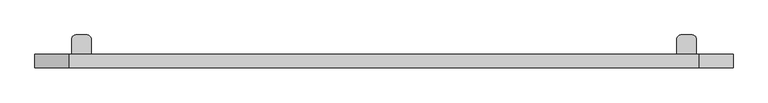
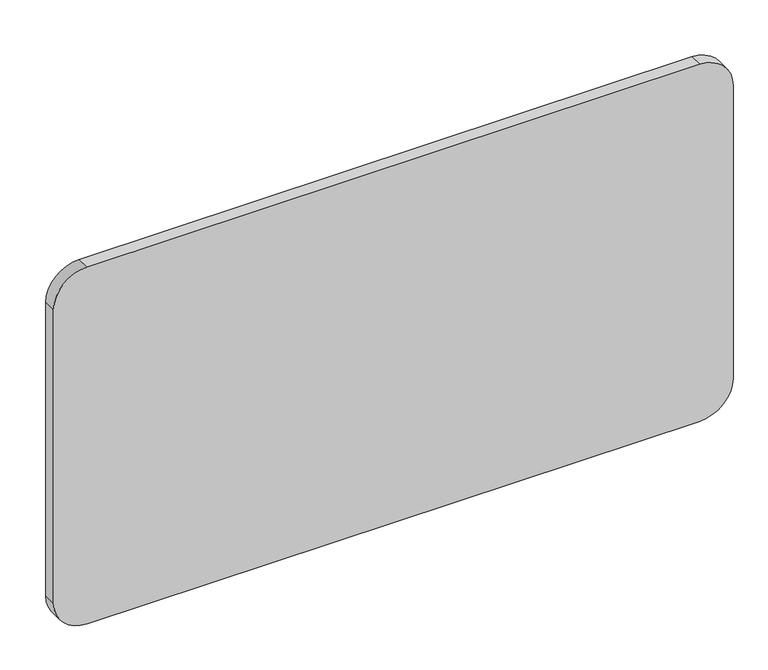
"""IFC4 building model written with IfcOpenShell, lengths in millimetres: furniture geometry."""

import ifcopenshell
import ifcopenshell.guid

model = None  # the IFC model being written
_history = None  # IfcOwnerHistory: only IFC2X3 demands one
_inside = {}  # id of a spatial element -> (the spatial element, [elements in it])
_under = {}  # id of a project, library or spatial element -> (it, [spatial elements below it])
_declared = {}  # id of a project -> (the project, [libraries it declares])
_typed = {}  # id of a type object -> (the type object, [elements of that type])
_made_of = {}  # id of a material, layer set ... -> (it, [elements and type objects made of it])


def new_model(schema):
    """Start an empty IFC model of exactly this schema.

    Asked for "IFC4X3", IfcOpenShell would pick the latest addendum, in which some entities
    have other attributes; the version numbers below select the first issue.
    IFC2X3 requires an IfcOwnerHistory on every rooted entity: one is made here for all.
    """
    global model, _history
    if schema == "IFC4X3":
        model = ifcopenshell.file(schema_version=(4, 3, 0, 0))
    else:
        model = ifcopenshell.file(schema=schema)
    _inside.clear()
    _under.clear()
    _declared.clear()
    _typed.clear()
    _made_of.clear()
    _history = None
    if model.schema == "IFC2X3":
        org = make("IfcOrganization", Name="unknown")
        user = make(
            "IfcPersonAndOrganization",
            ThePerson=make("IfcPerson", FamilyName="unknown"),
            TheOrganization=org,
        )
        app = make(
            "IfcApplication",
            ApplicationDeveloper=org,
            Version="unknown",
            ApplicationFullName="unknown",
            ApplicationIdentifier="unknown",
        )
        _history = make(
            "IfcOwnerHistory",
            OwningUser=user,
            OwningApplication=app,
            ChangeAction="ADDED",
            CreationDate=0,
        )
    return model


def make(cls, **values):
    """One entity of the class cls with the attributes given. An attribute that is None is left unset."""
    return model.create_entity(
        cls, **{name: value for name, value in values.items() if value is not None}
    )


def rooted(cls, **values):
    """An entity with a GlobalId (a new one), such as an element, a storey or a relation."""
    return make(cls, GlobalId=ifcopenshell.guid.new(), OwnerHistory=_history, **values)


def si_unit(unit_type, name, prefix=None):
    """IfcSIUnit, for example si_unit("LENGTHUNIT", "METRE", prefix="MILLI")."""
    return make("IfcSIUnit", UnitType=unit_type, Prefix=prefix, Name=name)


def assignment(units):
    """IfcUnitAssignment: the units of a project."""
    return None if units is None else make("IfcUnitAssignment", Units=units)


def point(xyz):
    """IfcCartesianPoint."""
    return None if xyz is None else make("IfcCartesianPoint", Coordinates=xyz)


def direction(xyz):
    """IfcDirection."""
    return None if xyz is None else make("IfcDirection", DirectionRatios=xyz)


def frame(location, z_axis=None, x_axis=None):
    """IfcAxis2Placement3D, a coordinate frame: its origin and axes. An axis left out is left unset."""
    return make(
        "IfcAxis2Placement3D",
        Location=point(location),
        Axis=direction(z_axis),
        RefDirection=direction(x_axis),
    )


def frame_2d(location, x_axis=None):
    """IfcAxis2Placement2D, a coordinate frame in the plane: its origin and x axis."""
    return make(
        "IfcAxis2Placement2D", Location=point(location), RefDirection=direction(x_axis)
    )


def origin():
    """The frame at (0, 0, 0) with its axes left unset."""
    return frame((0.0, 0.0, 0.0))


def place(relative_to, where):
    """IfcLocalPlacement: puts the frame where relative to a parent placement (None: the world)."""
    return make(
        "IfcLocalPlacement", PlacementRelTo=relative_to, RelativePlacement=where
    )


def context(
    kind, dimensions, precision=None, world=None, true_north=None, identifier=None
):
    """IfcGeometricRepresentationContext, for example the 3D "Model" context."""
    return make(
        "IfcGeometricRepresentationContext",
        ContextIdentifier=identifier,
        ContextType=kind,
        CoordinateSpaceDimension=dimensions,
        Precision=precision,
        WorldCoordinateSystem=world,
        TrueNorth=true_north,
    )


def project(units=None, contexts=None):
    """IfcProject with its units and contexts."""
    return rooted(
        "IfcProject",
        Name="project",
        RepresentationContexts=contexts,
        UnitsInContext=assignment(units),
    )


def spatial(cls, under=None, at=None, **own):
    """A site, building, storey or space (cls), placed at a placement, below another one or the project."""
    s = rooted(cls, ObjectPlacement=at, **own)
    if under is not None:
        _under.setdefault(under.id(), (under, []))[1].append(s)
    return s


def polyline(points):
    """IfcPolyline through the points."""
    return make("IfcPolyline", Points=[point(p) for p in points])


def circle_curve(where, radius):
    """IfcCircle in the frame where."""
    return make("IfcCircle", Position=where, Radius=radius)


def trimmed(basis, trim1, trim2, sense, master):
    """IfcTrimmedCurve: the piece of a basis curve between two trims."""
    return make(
        "IfcTrimmedCurve",
        BasisCurve=basis,
        Trim1=trim1,
        Trim2=trim2,
        SenseAgreement=sense,
        MasterRepresentation=master,
    )


def segment(curve, same_sense, transition):
    """IfcCompositeCurveSegment."""
    return make(
        "IfcCompositeCurveSegment",
        Transition=transition,
        SameSense=same_sense,
        ParentCurve=curve,
    )


def composite_curve(segments, self_intersect=None):
    """IfcCompositeCurve: segments joined end to end."""
    return make("IfcCompositeCurve", Segments=segments, SelfIntersect=self_intersect)


def outline(outer, holes=None, kind="AREA"):
    """IfcArbitraryClosedProfileDef: a profile drawn as a closed curve; with holes, ...WithVoids."""
    if holes is None:
        return make("IfcArbitraryClosedProfileDef", ProfileType=kind, OuterCurve=outer)
    return make(
        "IfcArbitraryProfileDefWithVoids",
        ProfileType=kind,
        OuterCurve=outer,
        InnerCurves=holes,
    )


def extrude(swept, where, along, depth):
    """IfcExtrudedAreaSolid: the profile swept, set in the frame where, extruded along a direction by depth."""
    return make(
        "IfcExtrudedAreaSolid",
        SweptArea=swept,
        Position=where,
        ExtrudedDirection=direction(along),
        Depth=depth,
    )


def shape(context_of_items, identifier, shape_type, items):
    """IfcShapeRepresentation: the items that make up one representation, for example the "Body"."""
    return make(
        "IfcShapeRepresentation",
        ContextOfItems=context_of_items,
        RepresentationIdentifier=identifier,
        RepresentationType=shape_type,
        Items=items,
    )


def source(mapping_origin, context_of_items, identifier, shape_type, items):
    """IfcRepresentationMap: a shape defined once, which mapped items show again and again."""
    return make(
        "IfcRepresentationMap",
        MappingOrigin=mapping_origin,
        MappedRepresentation=shape(context_of_items, identifier, shape_type, items),
    )


def transform(
    local_origin,
    x_axis=None,
    y_axis=None,
    z_axis=None,
    scale=None,
    scale2=None,
    scale3=None,
    uniform=True,
):
    """IfcCartesianTransformationOperator3D, or its non-uniform kind. x_axis, y_axis, z_axis: its Axis1, 2, 3."""
    if uniform:
        return make(
            "IfcCartesianTransformationOperator3D",
            Axis1=direction(x_axis),
            Axis2=direction(y_axis),
            LocalOrigin=point(local_origin),
            Scale=scale,
            Axis3=direction(z_axis),
        )
    return make(
        "IfcCartesianTransformationOperator3DnonUniform",
        Axis1=direction(x_axis),
        Axis2=direction(y_axis),
        LocalOrigin=point(local_origin),
        Scale=scale,
        Axis3=direction(z_axis),
        Scale2=scale2,
        Scale3=scale3,
    )


def mapped(mapping_source, mapping_target):
    """IfcMappedItem: shows the shape of a source again, moved by a transform."""
    return make(
        "IfcMappedItem", MappingSource=mapping_source, MappingTarget=mapping_target
    )


def made_of(thing, what):
    """Note that an element or type object is made of a material, layer set ...; save() writes the relation."""
    if what is not None:
        _made_of.setdefault(what.id(), (what, []))[1].append(thing)
    return thing


def element(
    cls,
    number,
    at=None,
    inside=None,
    cuts=None,
    type_object=None,
    material=None,
    context=None,
    identifier="Body",
    shape_type=None,
    held_by="IfcProductDefinitionShape",
    body=None,
    shapes=None,
    **own,
):
    """One element of the class cls, such as IfcWall. Its Tag is "e" and its number.

    at: its placement. inside: the storey or other place that contains it. cuts: it is an
    opening in that element (IfcRelVoidsElement). A single representation is given by context,
    identifier, shape_type and body (its items); several are given by shapes. held_by: the class
    of the entity that holds the representations. save() writes the other relations.
    """
    e = rooted(cls, Tag="e%d" % number, ObjectPlacement=at, **own)
    if body is not None:
        shapes = [shape(context, identifier, shape_type, body)]
    if shapes is not None:
        e.Representation = make(held_by, Representations=shapes)
    if inside is not None:
        _inside.setdefault(inside.id(), (inside, []))[1].append(e)
    if cuts is not None:
        rooted(
            "IfcRelVoidsElement", RelatingBuildingElement=cuts, RelatedOpeningElement=e
        )
    if type_object is not None:
        _typed.setdefault(type_object.id(), (type_object, []))[1].append(e)
    return made_of(e, material)


def aggregate(whole, parts):
    """IfcRelAggregates: a whole, such as a stair, and the parts it consists of."""
    return rooted("IfcRelAggregates", RelatingObject=whole, RelatedObjects=parts)


def save(model, path):
    """Write the relations noted so far, then the file.

    IfcRelAggregates (storeys below a building ...), IfcRelContainedInSpatialStructure (elements
    in a storey), IfcRelDefinesByType, IfcRelAssociatesMaterial and IfcRelDeclares: one each for
    every whole, place, type object, material and project.
    """
    for whole, parts in _under.values():
        aggregate(whole, parts)
    for where, things in _inside.values():
        rooted(
            "IfcRelContainedInSpatialStructure",
            RelatedElements=things,
            RelatingStructure=where,
        )
    for kind, things in _typed.values():
        rooted("IfcRelDefinesByType", RelatedObjects=things, RelatingType=kind)
    for what, things in _made_of.values():
        rooted("IfcRelAssociatesMaterial", RelatedObjects=things, RelatingMaterial=what)
    for by, libraries in _declared.values():
        rooted("IfcRelDeclares", RelatingContext=by, RelatedDefinitions=libraries)
    model.write(path)


def plane_surface(at):
    """IfcPlane: the flat surface through the origin of the frame at, square to its z axis."""
    return make("IfcPlane", Position=at)


def cylinder_surface(at, radius):
    """IfcCylindricalSurface: all points at the distance radius from the z axis of the frame at."""
    return make("IfcCylindricalSurface", Position=at, Radius=radius)


def revolved_surface(curve, axis_point, axis_direction):
    """IfcSurfaceOfRevolution: the curve turned about the line through axis_point along axis_direction."""
    return make(
        "IfcSurfaceOfRevolution",
        SweptCurve=make("IfcArbitraryOpenProfileDef", ProfileType="CURVE", Curve=curve),
        AxisPosition=make("IfcAxis1Placement", Location=point(axis_point), Axis=direction(axis_direction)),
    )


def advanced_brep(points, edges, surfaces, faces):
    """IfcAdvancedBrep: a solid bounded by faces that lie on surfaces and meet in shared edges.

    An edge is (start, end): straight between two places in points (the first is 0);
    or (start, end, curve); or (start, end, curve, False) where it runs against its curve.
    A face is (place in surfaces, loops), or (place, loops, False) where it looks against
    its surface's normal. A loop lists edges by number (the first is 1), with a minus sign
    where the edge is run from its end to its start. The first loop is the outer one.
    """
    corners = [point(p) for p in points]
    vertices = [make("IfcVertexPoint", VertexGeometry=c) for c in corners]
    made = []
    for start, end, *more in edges:
        made.append(
            make(
                "IfcEdgeCurve",
                EdgeStart=vertices[start],
                EdgeEnd=vertices[end],
                EdgeGeometry=more[0] if more else make("IfcPolyline", Points=[corners[start], corners[end]]),
                SameSense=more[1] if len(more) > 1 else True,
            )
        )
    hull = []
    for where, loops, *sense in faces:
        bounds = []
        for j, loop in enumerate(loops):
            ring = [make("IfcOrientedEdge", EdgeElement=made[abs(k) - 1], Orientation=k > 0) for k in loop]
            bounds.append(
                make(
                    "IfcFaceOuterBound" if j == 0 else "IfcFaceBound",
                    Bound=make("IfcEdgeLoop", EdgeList=ring),
                    Orientation=True,
                )
            )
        hull.append(make("IfcAdvancedFace", Bounds=bounds, FaceSurface=surfaces[where], SameSense=sense[0] if sense else True))
    return make("IfcAdvancedBrep", Outer=make("IfcClosedShell", CfsFaces=hull))


def furniture_7a475fae(model_context):
    return source(origin(), model_context, "Body", "SolidModel", [
        advanced_brep(
        [(1325.5425429, 47.5118173, 752.9985146), (1325.5425429, 44.45, 752.9985146), (1375.5425432, 44.45, 752.9985146), (1375.5425432, 47.5118173, 752.9985146), (1375.5425432, 47.5118173, 462.9546875), (1365.5425359, 47.5118173, 452.9984759), (1335.5425502, 47.5118173, 452.9984759), (1325.5425429, 47.5118173, 462.9984833), (1375.5425432, 44.45, 462.9546875), (1325.5425429, 44.45, 462.9546875), (1335.5425502, 44.45, 452.9984759), (1365.5425359, 44.45, 452.9984759)],
        [
            (0, 1),
            (1, 2),
            (2, 3),
            (3, 0),
            (3, 4),
            (4, 5, circle_curve(frame((1365.5425359, 47.5118173, 462.9984833), z_axis=(0.0, 1.0, 0.0), x_axis=(1.0, 0.0, 0.0)), 10.0000073)),
            (5, 6),
            (6, 7, circle_curve(frame((1335.5425502, 47.5118173, 462.9984833), z_axis=(0.0, 1.0, 0.0), x_axis=(1.0, 0.0, 0.0)), 10.0000073)),
            (7, 0),
            (2, 8),
            (8, 4),
            (1, 9),
            (9, 10, circle_curve(frame((1335.5425502, 44.45, 462.9984833), z_axis=(0.0, -1.0, 0.0), x_axis=(1.0, 0.0, 0.0)), 10.0000073)),
            (10, 11),
            (11, 8, circle_curve(frame((1365.5425359, 44.45, 462.9984833), z_axis=(0.0, -1.0, 0.0), x_axis=(1.0, 0.0, 0.0)), 10.0000073)),
            (7, 9),
            (6, 10),
            (5, 11),
        ],
        [
            plane_surface(frame((1325.5425429, 47.5118173, 752.9985146), z_axis=(0.0, 0.0, 1.0), x_axis=(0.0, -1.0, 0.0))),
            plane_surface(frame((1375.5425432, 47.5118173, 752.9985146), z_axis=(0.0, 1.0, 0.0), x_axis=(0.0, 0.0, -1.0))),
            plane_surface(frame((1375.5425432, 44.45, 752.9985146), z_axis=(1.0, 0.0, 0.0), x_axis=(0.0, 0.0, -1.0))),
            plane_surface(frame((1325.5425429, 44.45, 752.9985146), z_axis=(0.0, -1.0, 0.0), x_axis=(0.0, 0.0, -1.0))),
            plane_surface(frame((1325.5425429, 47.5118173, 752.9985146), z_axis=(-1.0, 0.0, 0.0), x_axis=(0.0, 0.0, -1.0))),
            cylinder_surface(frame((1335.5425502, 44.45, 462.9984833), z_axis=(0.0, 1.0, 0.0), x_axis=(1.0, 0.0, 0.0)), 10.0000073),
            plane_surface(frame((1365.5425359, 47.5118173, 452.9984759), z_axis=(0.0, 0.0, -1.0), x_axis=(0.0, -1.0, 0.0))),
            cylinder_surface(frame((1365.5425359, 44.45, 462.9984833), z_axis=(0.0, 1.0, 0.0), x_axis=(1.0, 0.0, 0.0)), 10.0000073),
        ],
        [
            (0, [[1, 2, 3, 4]]),
            (1, [[-4, 5, 6, 7, 8, 9]]),
            (2, [[-3, 10, 11, -5]]),
            (3, [[-2, 12, 13, 14, 15, -10]]),
            (4, [[-1, -9, 16, -12]]),
            (5, [[-8, 17, -13, -16]]),
            (6, [[-7, 18, -14, -17]]),
            (7, [[-6, -11, -15, -18]]),
        ],
    ),
        extrude(outline(composite_curve([segment(trimmed(circle_curve(frame_2d((1350.542543, 69.5118189)), 4.0000058), [point((1354.5425489, 69.5118189))], [point((1346.5425372, 69.5118189))], False, "CARTESIAN"), True, "CONTINUOUS"), segment(trimmed(circle_curve(frame_2d((1350.542543, 69.5118189)), 4.0000058), [point((1346.5425372, 69.5118189))], [point((1354.5425489, 69.5118189))], False, "CARTESIAN"), True, "CONTINUOUS")], self_intersect=False)), frame((0.0, 0.0, 689.9985083), z_axis=(0.0, 0.0, 1.0), x_axis=(1.0, 0.0, 0.0)), (0.0, 0.0, 1.0), 13.0000059),
        extrude(outline(composite_curve([segment(trimmed(circle_curve(frame_2d((1350.542543, 69.5118189)), 7.7753653), [point((1358.3179084, 69.5118189))], [point((1342.7671777, 69.5118189))], False, "CARTESIAN"), True, "CONTINUOUS"), segment(trimmed(circle_curve(frame_2d((1350.542543, 69.5118189)), 7.7753653), [point((1342.7671777, 69.5118189))], [point((1358.3179084, 69.5118189))], False, "CARTESIAN"), True, "CONTINUOUS")], self_intersect=False)), frame((0.0, 0.0, 702.9985142), z_axis=(0.0, 0.0, 1.0), x_axis=(1.0, 0.0, 0.0)), (0.0, 0.0, 1.0), 10.0000437),
        extrude(outline(composite_curve([segment(trimmed(circle_curve(frame_2d((1350.542543, 69.5118189)), 14.974039), [point((1365.5165821, 69.5118189))], [point((1335.568504, 69.5118189))], False, "CARTESIAN"), True, "CONTINUOUS"), segment(trimmed(circle_curve(frame_2d((1350.542543, 69.5118189)), 14.974039), [point((1335.568504, 69.5118189))], [point((1365.5165821, 69.5118189))], False, "CARTESIAN"), True, "CONTINUOUS")], self_intersect=False)), frame((0.0, 0.0, 718.7038782), z_axis=(0.0, 0.0, 1.0), x_axis=(1.0, 0.0, 0.0)), (0.0, 0.0, 1.0), 2.0950029),
        advanced_brep(
        [(1365.5165821, 69.5118189, 718.7038782), (1335.568504, 69.5118189, 718.7038782), (1354.5425489, 69.5118189, 715.9985201), (1346.5425372, 69.5118189, 715.9985201)],
        [
            (0, 1, circle_curve(frame((1350.542543, 69.5118189, 718.7038782), z_axis=(0.0, 0.0, 1.0), x_axis=(1.0, 0.0, 0.0)), 14.974039)),
            (1, 0, circle_curve(frame((1350.542543, 69.5118189, 718.7038782), z_axis=(0.0, 0.0, 1.0), x_axis=(-1.0, 0.0, 0.0)), 14.974039)),
            (2, 3, circle_curve(frame((1350.542543, 69.5118189, 715.9985201), z_axis=(0.0, 0.0, -1.0), x_axis=(-1.0, 0.0, 0.0)), 4.0000058)),
            (3, 2, circle_curve(frame((1350.542543, 69.5118189, 715.9985201), z_axis=(0.0, 0.0, -1.0), x_axis=(1.0, 0.0, 0.0)), 4.0000058)),
            (2, 0),
            (1, 3),
        ],
        [
            plane_surface(frame((1350.542543, 69.5118189, 718.7038782), z_axis=(0.0, 0.0, 1.0), x_axis=(0.0, 1.0, 0.0))),
            plane_surface(frame((1350.542543, 69.5118189, 715.9985201), z_axis=(0.0, 0.0, -1.0), x_axis=(0.0, 1.0, 0.0))),
            revolved_surface(polyline([(1354.5425488149297, 69.5118189, 715.9985201), (1365.5165821, 69.5118189, 718.7038782)]), (1350.542543, 69.5118189, 715.0124243), (0.0, 0.0, 1.0)),
            revolved_surface(polyline([(1346.5425372117832, 69.5118189, 715.9985201), (1335.568504, 69.5118189, 718.7038782)]), (1350.542543, 69.5118189, 715.0124243), (0.0, 0.0, 1.0)),
        ],
        [
            (0, [[1, 2]]),
            (1, [[3, 4]]),
            (2, [[-3, 5, -2, 6]]),
            (3, [[-4, -6, -1, -5]]),
        ],
    ),
        extrude(outline(composite_curve([segment(trimmed(circle_curve(frame_2d((1365.3401849, 84.3097802)), 10.2023583), [point((1365.3401849, 94.5121385))], [point((1375.5425432, 84.3097802))], False, "CARTESIAN"), True, "CONTINUOUS"), segment(polyline([(1375.5425432, 84.3097802), (1375.5425432, 47.5118173), (1325.5425429, 47.5118173), (1325.5425429, 84.324975)]), True, "CONTINUOUS"), segment(trimmed(circle_curve(frame_2d((1335.7297063, 84.324975)), 10.1871635), [point((1325.5425429, 84.324975))], [point((1335.7297063, 94.5121385))], False, "CARTESIAN"), True, "CONTINUOUS"), segment(polyline([(1335.7297063, 94.5121385), (1365.3401849, 94.5121385)]), True, "CONTINUOUS")], self_intersect=False)), frame((0.0, 0.0, 712.9985579), z_axis=(0.0, 0.0, 1.0), x_axis=(1.0, 0.0, 0.0)), (0.0, 0.0, 1.0), 2.9999622),
        extrude(outline(composite_curve([segment(trimmed(circle_curve(frame_2d((1365.3401849, 84.3094607)), 10.2023583), [point((1365.3401849, 94.5118191))], [point((1375.5425432, 84.3094607))], False, "CARTESIAN"), True, "CONTINUOUS"), segment(polyline([(1375.5425432, 84.3094607), (1375.5425432, 44.45), (1325.5425429, 44.45), (1325.5425429, 84.3246556)]), True, "CONTINUOUS"), segment(trimmed(circle_curve(frame_2d((1335.7297063, 84.3246556)), 10.1871635), [point((1325.5425429, 84.3246556))], [point((1335.7297063, 94.5118191))], False, "CARTESIAN"), True, "CONTINUOUS"), segment(polyline([(1335.7297063, 94.5118191), (1365.3401849, 94.5118191)]), True, "CONTINUOUS")], self_intersect=False)), frame((0.0, 0.0, 752.9985146), z_axis=(0.0, 0.0, 1.0), x_axis=(1.0, 0.0, 0.0)), (0.0, 0.0, 1.0), 2.9999622),
        advanced_brep(
        [(-184.5554351, 47.5118173, 462.9984833), (-194.5554424, 47.5118173, 452.9984759), (-224.5554281, 47.5118173, 452.9984759), (-234.5554355, 47.5118173, 462.9984833), (-234.5554355, 47.5118173, 712.9985579), (-184.5554351, 47.5118173, 712.9985579), (-234.5554355, 47.5118173, 752.9985146), (-184.5554351, 47.5118173, 752.9985146), (-184.5554351, 47.5118173, 715.9985201), (-234.5554355, 47.5118173, 715.9985201), (-234.5554355, 44.45, 462.9984833), (-224.5554281, 44.45, 452.9984759), (-194.5554424, 44.45, 452.9984759), (-184.5554351, 44.45, 462.9984833), (-184.5554351, 44.45, 755.9984768), (-234.5554355, 44.45, 755.9984768), (-234.5554355, 84.3094607, 755.9984768), (-234.5554355, 84.3094607, 752.9985146), (-234.5554355, 84.3097802, 715.9985201), (-234.5554355, 84.3097802, 712.9985579), (-184.5554351, 84.324975, 712.9985579), (-184.5554351, 84.324975, 715.9985201), (-184.5554351, 84.3246556, 752.9985146), (-184.5554351, 84.3246556, 755.9984768), (-224.3530771, 94.5118191, 755.9984768), (-194.7425986, 94.5118191, 755.9984768), (-224.3530771, 94.5118191, 752.9985146), (-194.7425986, 94.5118191, 752.9985146), (-224.3530771, 94.5121385, 715.9985201), (-194.7425986, 94.5121385, 715.9985201), (-205.5554294, 69.5118189, 715.9985201), (-213.5554411, 69.5118189, 715.9985201), (-224.3530771, 94.5121385, 712.9985579), (-194.7425986, 94.5121385, 712.9985579), (-217.3308006, 69.5118189, 712.9985579), (-201.7800699, 69.5118189, 712.9985579), (-224.5294743, 69.5118189, 720.7988811), (-194.5813962, 69.5118189, 720.7988811), (-224.5294743, 69.5118189, 718.7038782), (-194.5813962, 69.5118189, 718.7038782), (-217.3308006, 69.5118189, 702.9985142), (-201.7800699, 69.5118189, 702.9985142), (-213.5554411, 69.5118189, 702.9985142), (-205.5554294, 69.5118189, 702.9985142), (-213.5554411, 69.5118189, 689.9985083), (-205.5554294, 69.5118189, 689.9985083)],
        [
            (0, 1, circle_curve(frame((-194.5554424, 47.5118173, 462.9984833), z_axis=(0.0, 1.0, 0.0), x_axis=(-1.0, 0.0, 0.0)), 10.0000073)),
            (1, 2),
            (2, 3, circle_curve(frame((-224.5554281, 47.5118173, 462.9984833), z_axis=(0.0, 1.0, 0.0), x_axis=(-1.0, 0.0, 0.0)), 10.0000073)),
            (3, 4),
            (4, 5),
            (5, 0),
            (6, 7),
            (7, 8),
            (8, 9),
            (9, 6),
            (10, 11, circle_curve(frame((-224.5554281, 44.45, 462.9984833), z_axis=(0.0, -1.0, 0.0), x_axis=(-1.0, 0.0, 0.0)), 10.0000073)),
            (11, 12),
            (12, 13, circle_curve(frame((-194.5554424, 44.45, 462.9984833), z_axis=(0.0, -1.0, 0.0), x_axis=(-1.0, 0.0, 0.0)), 10.0000073)),
            (13, 14),
            (14, 15),
            (15, 10),
            (0, 13),
            (12, 1),
            (11, 2),
            (10, 3),
            (15, 16),
            (16, 17),
            (17, 6),
            (9, 18),
            (18, 19),
            (19, 4),
            (5, 20),
            (20, 21),
            (21, 8),
            (7, 22),
            (22, 23),
            (23, 14),
            (24, 16, circle_curve(frame((-224.3530771, 84.3094607, 755.9984768), z_axis=(0.0, 0.0, 1.0), x_axis=(1.0, 0.0, 0.0)), 10.2023583)),
            (23, 25, circle_curve(frame((-194.7425986, 84.3246556, 755.9984768), z_axis=(0.0, 0.0, 1.0), x_axis=(1.0, 0.0, 0.0)), 10.1871635)),
            (25, 24),
            (26, 27),
            (27, 22, circle_curve(frame((-194.7425986, 84.3246556, 752.9985146), z_axis=(0.0, 0.0, -1.0), x_axis=(1.0, 0.0, 0.0)), 10.1871635)),
            (17, 26, circle_curve(frame((-224.3530771, 84.3094607, 752.9985146), z_axis=(0.0, 0.0, -1.0), x_axis=(1.0, 0.0, 0.0)), 10.2023583)),
            (24, 26),
            (27, 25),
            (28, 18, circle_curve(frame((-224.3530771, 84.3097802, 715.9985201), z_axis=(0.0, 0.0, 1.0), x_axis=(1.0, 0.0, 0.0)), 10.2023583)),
            (21, 29, circle_curve(frame((-194.7425986, 84.324975, 715.9985201), z_axis=(0.0, 0.0, 1.0), x_axis=(1.0, 0.0, 0.0)), 10.1871635)),
            (29, 28),
            (30, 31, circle_curve(frame((-209.5554353, 69.5118189, 715.9985201), z_axis=(0.0, 0.0, -1.0), x_axis=(-1.0, 0.0, 0.0)), 4.0000058)),
            (31, 30, circle_curve(frame((-209.5554353, 69.5118189, 715.9985201), z_axis=(0.0, 0.0, -1.0), x_axis=(1.0, 0.0, 0.0)), 4.0000058)),
            (32, 33),
            (33, 20, circle_curve(frame((-194.7425986, 84.324975, 712.9985579), z_axis=(0.0, 0.0, -1.0), x_axis=(1.0, 0.0, 0.0)), 10.1871635)),
            (19, 32, circle_curve(frame((-224.3530771, 84.3097802, 712.9985579), z_axis=(0.0, 0.0, -1.0), x_axis=(1.0, 0.0, 0.0)), 10.2023583)),
            (34, 35, circle_curve(frame((-209.5554353, 69.5118189, 712.9985579), z_axis=(0.0, 0.0, 1.0), x_axis=(1.0, 0.0, 0.0)), 7.7753653)),
            (35, 34, circle_curve(frame((-209.5554353, 69.5118189, 712.9985579), z_axis=(0.0, 0.0, 1.0), x_axis=(1.0, 0.0, 0.0)), 7.7753653)),
            (28, 32),
            (33, 29),
            (36, 37, circle_curve(frame((-209.5554353, 69.5118189, 720.7988811), z_axis=(0.0, 0.0, 1.0), x_axis=(1.0, 0.0, 0.0)), 14.974039)),
            (37, 36, circle_curve(frame((-209.5554353, 69.5118189, 720.7988811), z_axis=(0.0, 0.0, 1.0), x_axis=(1.0, 0.0, 0.0)), 14.974039)),
            (36, 38),
            (38, 39, circle_curve(frame((-209.5554353, 69.5118189, 718.7038782), z_axis=(0.0, 0.0, 1.0), x_axis=(1.0, 0.0, 0.0)), 14.974039)),
            (39, 37),
            (39, 38, circle_curve(frame((-209.5554353, 69.5118189, 718.7038782), z_axis=(0.0, 0.0, 1.0), x_axis=(1.0, 0.0, 0.0)), 14.974039)),
            (40, 41, circle_curve(frame((-209.5554353, 69.5118189, 702.9985142), z_axis=(0.0, 0.0, -1.0), x_axis=(1.0, 0.0, 0.0)), 7.7753653)),
            (41, 40, circle_curve(frame((-209.5554353, 69.5118189, 702.9985142), z_axis=(0.0, 0.0, -1.0), x_axis=(1.0, 0.0, 0.0)), 7.7753653)),
            (42, 43, circle_curve(frame((-209.5554353, 69.5118189, 702.9985142), z_axis=(0.0, 0.0, 1.0), x_axis=(1.0, 0.0, 0.0)), 4.0000058)),
            (43, 42, circle_curve(frame((-209.5554353, 69.5118189, 702.9985142), z_axis=(0.0, 0.0, 1.0), x_axis=(1.0, 0.0, 0.0)), 4.0000058)),
            (41, 35),
            (34, 40),
            (44, 45, circle_curve(frame((-209.5554353, 69.5118189, 689.9985083), z_axis=(0.0, 0.0, -1.0), x_axis=(1.0, 0.0, 0.0)), 4.0000058)),
            (45, 44, circle_curve(frame((-209.5554353, 69.5118189, 689.9985083), z_axis=(0.0, 0.0, -1.0), x_axis=(1.0, 0.0, 0.0)), 4.0000058)),
            (45, 43),
            (42, 44),
            (30, 39),
            (38, 31),
        ],
        [
            plane_surface(frame((-184.5554351, 47.5118173, 462.9984833), z_axis=(0.0, 1.0, 0.0), x_axis=(1.0, 0.0, 0.0))),
            plane_surface(frame((-184.5554351, 44.45, 462.9984833), z_axis=(0.0, -1.0, 0.0), x_axis=(-1.0, 0.0, 0.0))),
            cylinder_surface(frame((-194.5554424, 44.45, 462.9984833), z_axis=(0.0, 1.0, 0.0), x_axis=(-1.0, 0.0, 0.0)), 10.0000073),
            plane_surface(frame((-194.5554424, 47.5118173, 452.9984759), z_axis=(0.0, 0.0, -1.0), x_axis=(0.0, -1.0, 0.0))),
            cylinder_surface(frame((-224.5554281, 44.45, 462.9984833), z_axis=(0.0, 1.0, 0.0), x_axis=(-1.0, 0.0, 0.0)), 10.0000073),
            plane_surface(frame((-234.5554355, 47.5118173, 752.9985146), z_axis=(-1.0, 0.0, 0.0), x_axis=(0.0, 0.0, -1.0))),
            plane_surface(frame((-184.5554351, 44.45, 752.9985146), z_axis=(1.0, 0.0, 0.0), x_axis=(0.0, 0.0, -1.0))),
            plane_surface(frame((-214.1507188, 84.3094607, 755.9984768), z_axis=(0.0, 0.0, 1.0), x_axis=(0.0, 1.0, 0.0))),
            plane_surface(frame((-214.1507188, 84.3094607, 752.9985146), z_axis=(0.0, 0.0, -1.0), x_axis=(0.0, -1.0, 0.0))),
            cylinder_surface(frame((-224.3530771, 84.3094607, 752.9985146), z_axis=(0.0, 0.0, 1.0), x_axis=(1.0, 0.0, 0.0)), 10.2023583),
            cylinder_surface(frame((-194.7425986, 84.3246556, 752.9985146), z_axis=(0.0, 0.0, 1.0), x_axis=(1.0, 0.0, 0.0)), 10.1871635),
            plane_surface(frame((-194.7425986, 94.5118191, 755.9984768), z_axis=(0.0, 1.0, 0.0), x_axis=(0.0, 0.0, -1.0))),
            plane_surface(frame((-214.1507188, 84.3097802, 715.9985201), z_axis=(0.0, 0.0, 1.0), x_axis=(0.0, 1.0, 0.0))),
            plane_surface(frame((-214.1507188, 84.3097802, 712.9985579), z_axis=(0.0, 0.0, -1.0), x_axis=(0.0, -1.0, 0.0))),
            cylinder_surface(frame((-224.3530771, 84.3097802, 712.9985579), z_axis=(0.0, 0.0, 1.0), x_axis=(1.0, 0.0, 0.0)), 10.2023583),
            cylinder_surface(frame((-194.7425986, 84.324975, 712.9985579), z_axis=(0.0, 0.0, 1.0), x_axis=(1.0, 0.0, 0.0)), 10.1871635),
            plane_surface(frame((-194.7425986, 94.5121385, 715.9985201), z_axis=(0.0, 1.0, 0.0), x_axis=(0.0, 0.0, -1.0))),
            plane_surface(frame((-194.5813962, 69.5118189, 720.7988811), z_axis=(0.0, 0.0, 1.0), x_axis=(0.0, 1.0, 0.0))),
            cylinder_surface(frame((-209.5554353, 69.5118189, 718.7038782), z_axis=(0.0, 0.0, 1.0), x_axis=(1.0, 0.0, 0.0)), 14.974039),
            plane_surface(frame((-201.7800699, 69.5118189, 702.9985142), z_axis=(0.0, 0.0, -1.0), x_axis=(0.0, -1.0, 0.0))),
            cylinder_surface(frame((-209.5554353, 69.5118189, 702.9985142), z_axis=(0.0, 0.0, 1.0), x_axis=(1.0, 0.0, 0.0)), 7.7753653),
            plane_surface(frame((-205.5554294, 69.5118189, 689.9985083), z_axis=(0.0, 0.0, -1.0), x_axis=(0.0, -1.0, 0.0))),
            cylinder_surface(frame((-209.5554353, 69.5118189, 689.9985083), z_axis=(0.0, 0.0, 1.0), x_axis=(1.0, 0.0, 0.0)), 4.0000058),
            revolved_surface(polyline([(-205.55542948507028, 69.5118189, 715.9985201), (-194.5813962, 69.5118189, 718.7038782)]), (-209.5554353, 69.5118189, 715.0124243), (0.0, 0.0, 1.0)),
        ],
        [
            (0, [[1, 2, 3, 4, 5, 6]]),
            (0, [[7, 8, 9, 10]]),
            (1, [[11, 12, 13, 14, 15, 16]]),
            (2, [[-1, 17, -13, 18]]),
            (3, [[-2, -18, -12, 19]]),
            (4, [[-3, -19, -11, 20]]),
            (5, [[-20, -16, 21, 22, 23, -10, 24, 25, 26, -4]]),
            (6, [[-17, -6, 27, 28, 29, -8, 30, 31, 32, -14]]),
            (7, [[33, -21, -15, -32, 34, 35]]),
            (8, [[36, 37, -30, -7, -23, 38]]),
            (9, [[-33, 39, -38, -22]]),
            (10, [[-34, -31, -37, 40]]),
            (11, [[-35, -40, -36, -39]]),
            (12, [[41, -24, -9, -29, 42, 43], [44, 45]]),
            (13, [[46, 47, -27, -5, -26, 48], [49, 50]]),
            (14, [[-41, 51, -48, -25]]),
            (15, [[-42, -28, -47, 52]]),
            (16, [[-43, -52, -46, -51]]),
            (17, [[53, 54]]),
            (18, [[-53, 55, 56, 57]]),
            (18, [[-54, -57, 58, -55]]),
            (19, [[59, 60], [61, 62]]),
            (20, [[-60, 63, -49, 64]]),
            (20, [[-59, -64, -50, -63]]),
            (21, [[65, 66]]),
            (22, [[-66, 67, -61, 68]]),
            (22, [[-65, -68, -62, -67]]),
            (23, [[69, -56, 70, -44]]),
            (23, [[-69, -45, -70, -58]]),
        ],
    ),
        extrude(outline(composite_curve([segment(trimmed(circle_curve(frame_2d((1015.9007813, 1381.6564445)), 88.9), [point((1015.9007813, 1470.5564445))], [point((1104.8007813, 1381.6564445))], False, "CARTESIAN"), True, "CONTINUOUS"), segment(polyline([(1104.8007813, 1381.6564445), (1104.8007812, -240.6693367)]), True, "CONTINUOUS"), segment(trimmed(circle_curve(frame_2d((1015.9007812, -240.6693367)), 88.9), [point((1104.8007812, -240.6693367))], [point((1015.9007812, -329.5693367))], False, "CARTESIAN"), True, "CONTINUOUS"), segment(polyline([(1015.9007812, -329.5693367), (193.675, -329.5693367)]), True, "CONTINUOUS"), segment(trimmed(circle_curve(frame_2d((193.675, -240.6693367)), 88.9), [point((193.675, -329.5693367))], [point((104.775, -240.6693367))], False, "CARTESIAN"), True, "CONTINUOUS"), segment(polyline([(104.775, -240.6693367), (104.775, 1381.6564445)]), True, "CONTINUOUS"), segment(trimmed(circle_curve(frame_2d((193.675, 1381.6564445)), 88.9), [point((104.775, 1381.6564445))], [point((193.675, 1470.5564445))], False, "CARTESIAN"), True, "CONTINUOUS"), segment(polyline([(193.675, 1470.5564445), (1015.9007813, 1470.5564445)]), True, "CONTINUOUS")], self_intersect=False)), frame((0.0, 9.4257812, 0.0), z_axis=(0.0, 1.0, 0.0), x_axis=(0.0, 0.0, 1.0)), (0.0, 0.0, 1.0), 35.0242187),
    ])


if __name__ == "__main__":
    model = new_model("IFC4")
    model_context = context("Model", 3, world=origin())
    ifc_project = project(units=[si_unit("LENGTHUNIT", "METRE", prefix="MILLI")], contexts=[model_context])
    site = spatial("IfcSite", under=ifc_project)
    building = spatial("IfcBuilding", under=site)
    placement = place(None, origin())
    furniture_shape = furniture_7a475fae(model_context)
    element("IfcFurniture", 1, at=placement, inside=building, context=model_context, shape_type="MappedRepresentation", body=[
        mapped(furniture_shape, transform((0.0, 0.0, 0.0), x_axis=(1.0, 0.0, 0.0), y_axis=(0.0, 1.0, 0.0), z_axis=(0.0, 0.0, 1.0))),
    ])
    save(model, "model.ifc")
